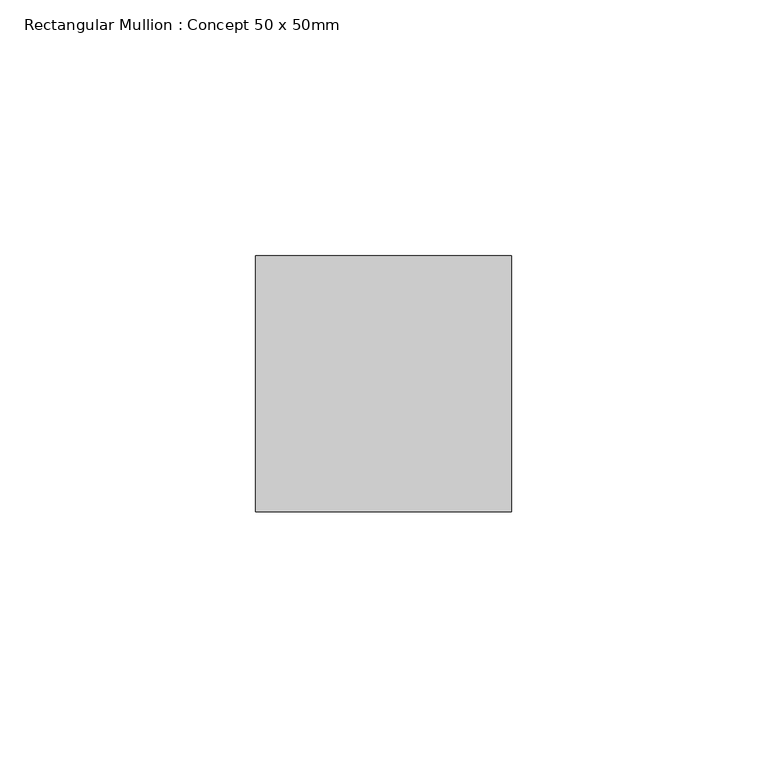
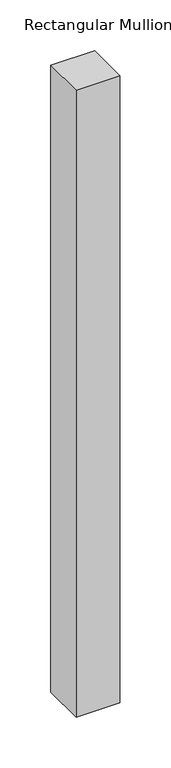
"""IFC4 building model written with IfcOpenShell, lengths in millimetres: member geometry, Rectangular Mullion : Concept 50 x 50mm."""

from ifc_helpers import new_model, si_unit, frame, origin, place, context, project, spatial, polyline, outline, extrude, source, transform, mapped, element, save


def rectangular_mullion_concept_50_x_50mm_244fa20e(model_context):
    return source(origin(), model_context, "Body", "SweptSolid", [
        extrude(outline(polyline([(0.0, 50.0), (0.0, 0.0), (-50.0, 0.0), (-50.0, 50.0), (0.0, 50.0)])), frame((0.0, 0.0, -755.0), z_axis=(0.0, 0.0, 1.0), x_axis=(1.0, 0.0, 0.0)), (0.0, 0.0, 1.0), 755.0),
    ])


if __name__ == "__main__":
    model = new_model("IFC4")
    model_context = context("Model", 3, world=origin())
    ifc_project = project(units=[si_unit("LENGTHUNIT", "METRE", prefix="MILLI")], contexts=[model_context])
    site = spatial("IfcSite", under=ifc_project)
    building = spatial("IfcBuilding", under=site)
    placement = place(None, origin())
    rectangular_mullion_concept_50_x_50mm_shape = rectangular_mullion_concept_50_x_50mm_244fa20e(model_context)
    element("IfcMember", 1, ObjectType="Rectangular Mullion : Concept 50 x 50mm", at=placement, inside=building, context=model_context, shape_type="MappedRepresentation", body=[
        mapped(rectangular_mullion_concept_50_x_50mm_shape, transform((0.0, 0.0, 0.0), x_axis=(1.0, 0.0, 0.0), y_axis=(0.0, 1.0, 0.0), z_axis=(0.0, 0.0, 1.0))),
    ])
    save(model, "model.ifc")
